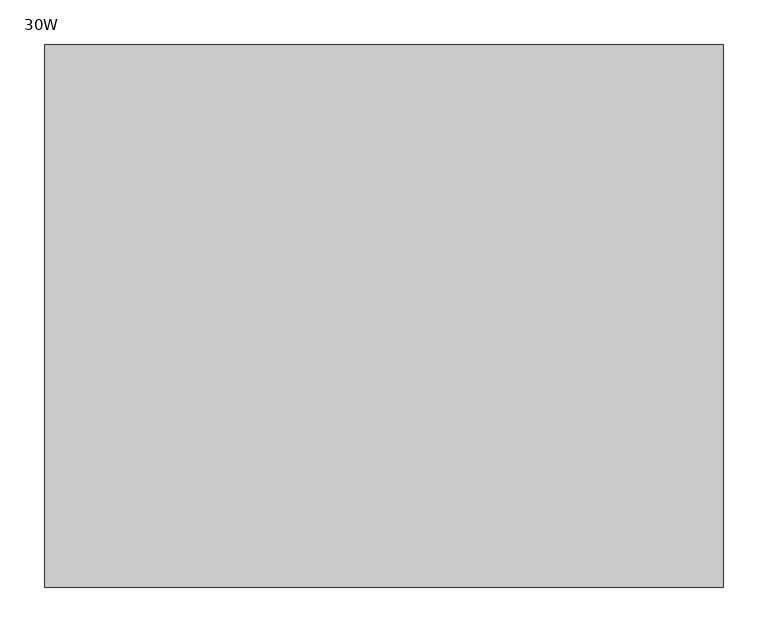
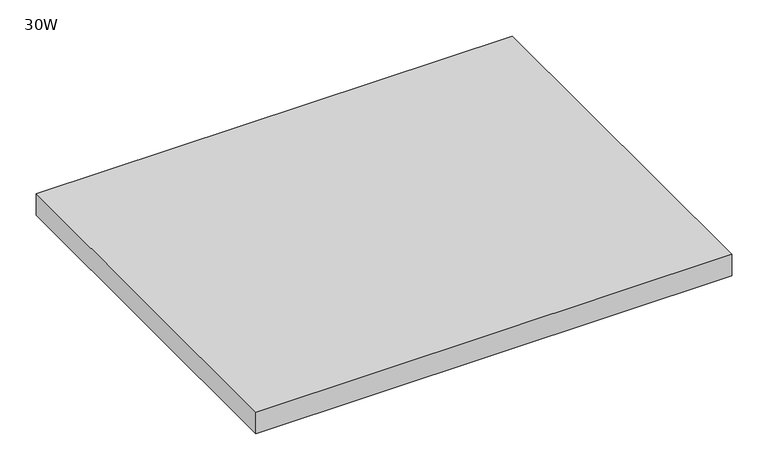
"""IFC4 building model written with IfcOpenShell, lengths in millimetres: furniture geometry, 30W."""

from ifc_helpers import new_model, si_unit, frame, origin, place, context, project, spatial, polyline, outline, extrude, source, transform, mapped, element, save


def furniture_30w_573097bc(model_context):
    return source(origin(), model_context, "Body", "SweptSolid", [
        extrude(outline(polyline([(762.0, 0.0), (762.0, -609.6), (0.0, -609.6), (0.0, 0.0), (762.0, 0.0)])), frame((0.0, 0.0, 688.1749), z_axis=(0.0, 0.0, 1.0), x_axis=(1.0, 0.0, 0.0)), (0.0, 0.0, 1.0), 36.322),
    ])


if __name__ == "__main__":
    model = new_model("IFC4")
    model_context = context("Model", 3, world=origin())
    ifc_project = project(units=[si_unit("LENGTHUNIT", "METRE", prefix="MILLI")], contexts=[model_context])
    site = spatial("IfcSite", under=ifc_project)
    building = spatial("IfcBuilding", under=site)
    placement = place(None, origin())
    furniture_30w_shape = furniture_30w_573097bc(model_context)
    element("IfcFurniture", 1, ObjectType="30W", at=placement, inside=building, context=model_context, shape_type="MappedRepresentation", body=[
        mapped(furniture_30w_shape, transform((0.0, 0.0, 0.0), x_axis=(1.0, 0.0, 0.0), y_axis=(0.0, 1.0, 0.0), z_axis=(0.0, 0.0, 1.0))),
    ])
    save(model, "model.ifc")
